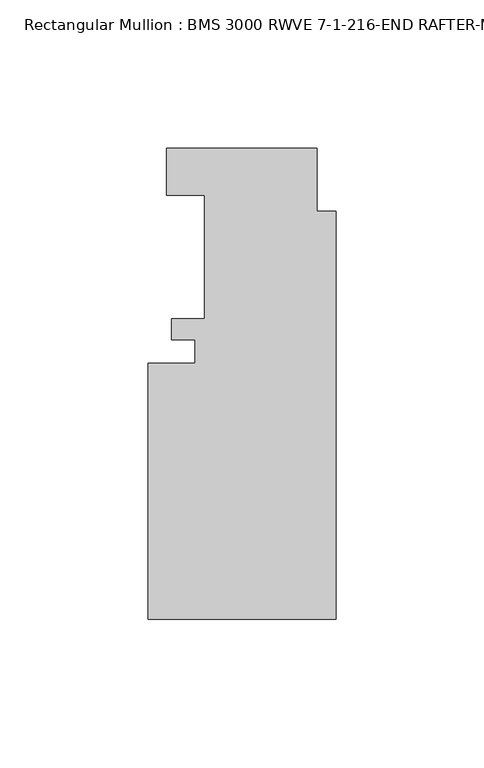
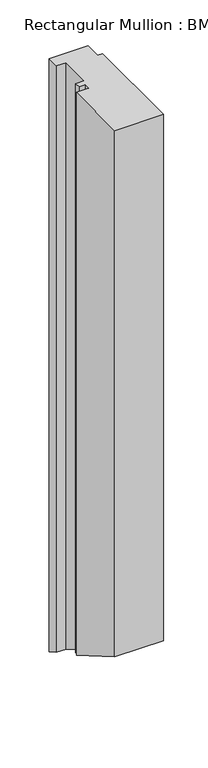
"""IFC4 building model written with IfcOpenShell, lengths in millimetres: member geometry, Rectangular Mullion : BMS 3000 RWVE 7-1-216-END RAFTER-MIR."""

from ifc_helpers import new_model, si_unit, origin, place, context, project, spatial, faceted_brep, source, transform, mapped, element, save


def rectangular_mullion_bms_3000_rwve_7_1_216_end_rafter_mir_ce447dab(model_context):
    return source(origin(), model_context, "Body", "Brep", [
        faceted_brep([(0.0, -15.1495125, 0.0), (-6.35, -15.1495125, 0.0), (-6.35, 6.1356875, 0.0), (-57.15, 6.1356875, 0.0), (-57.15, -9.7393125, 0.0), (-44.45, -9.7393125, 0.0), (-44.45, -51.3953125, 0.0), (-55.5752, -51.3953125, 0.0), (-55.5752, -58.5581125, 0.0), (-47.625, -58.5581125, 0.0), (-47.625, -66.4575125, 0.0), (-63.5, -66.4575125, 0.0), (-63.5, -152.9953125, 0.0), (0.0, -152.9953125, 0.0), (0.0, -15.1495125, -804.0534249), (-6.35, -15.1495125, -804.0534249), (-6.35, 6.1356875, -816.3424408), (-57.15, 6.1356875, -816.3424408), (-57.15, -9.7393125, -807.1770053), (-44.45, -9.7393125, -807.1770053), (-44.45, -51.3953125, -783.1269025), (-55.5752, -51.3953125, -783.1269025), (-55.5752, -58.5581125, -778.991458), (-47.625, -58.5581125, -778.991458), (-47.625, -66.4575125, -774.4307373), (-63.5, -66.4575125, -774.4307373), (-63.5, -152.9953125, -724.4681151), (0.0, -152.9953125, -724.4681151)], [[[0, 1, 2, 3, 4, 5, 6, 7, 8, 9, 10, 11, 12, 13]], [[1, 0, 14, 15]], [[2, 1, 15, 16]], [[3, 2, 16, 17]], [[4, 3, 17, 18]], [[5, 4, 18, 19]], [[6, 5, 19, 20]], [[7, 6, 20, 21]], [[8, 7, 21, 22]], [[9, 8, 22, 23]], [[10, 9, 23, 24]], [[11, 10, 24, 25]], [[12, 11, 25, 26]], [[13, 12, 26, 27]], [[0, 13, 27, 14]], [[14, 27, 26, 25, 24, 23, 22, 21, 20, 19, 18, 17, 16, 15]]]),
    ])


if __name__ == "__main__":
    model = new_model("IFC4")
    model_context = context("Model", 3, world=origin())
    ifc_project = project(units=[si_unit("LENGTHUNIT", "METRE", prefix="MILLI")], contexts=[model_context])
    site = spatial("IfcSite", under=ifc_project)
    building = spatial("IfcBuilding", under=site)
    placement = place(None, origin())
    rectangular_mullion_bms_3000_rwve_7_1_216_end_rafter_mir_shape = rectangular_mullion_bms_3000_rwve_7_1_216_end_rafter_mir_ce447dab(model_context)
    element("IfcMember", 1, ObjectType="Rectangular Mullion : BMS 3000 RWVE 7-1-216-END RAFTER-MIR", at=placement, inside=building, context=model_context, shape_type="MappedRepresentation", body=[
        mapped(rectangular_mullion_bms_3000_rwve_7_1_216_end_rafter_mir_shape, transform((0.0, 0.0, 0.0), x_axis=(1.0, 0.0, 0.0), y_axis=(0.0, 1.0, 0.0), z_axis=(0.0, 0.0, 1.0))),
    ])
    save(model, "model.ifc")
